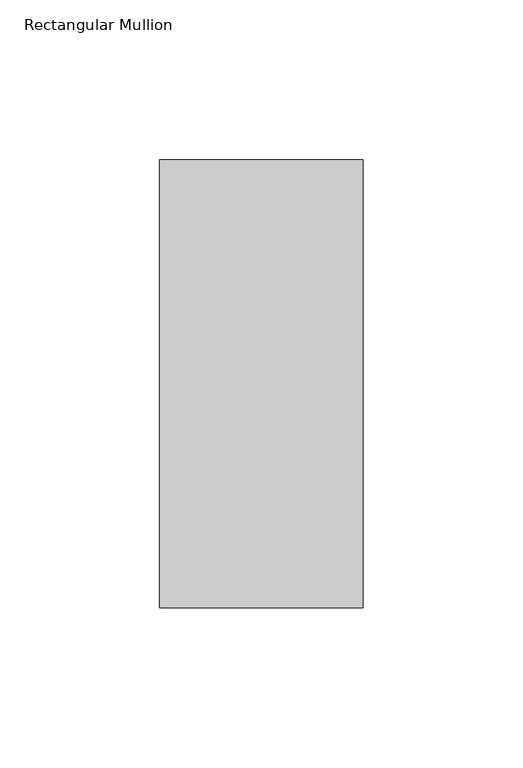
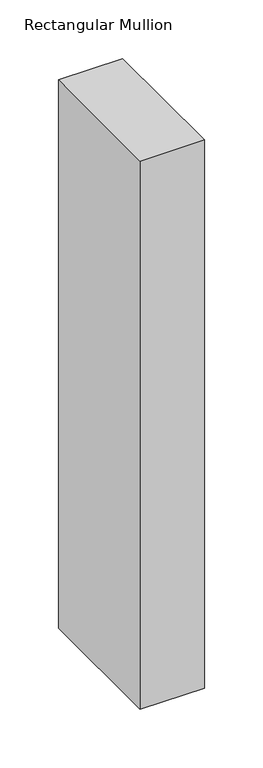
"""IFC4 building model written with IfcOpenShell, lengths in millimetres: member geometry, Rectangular Mullion."""

from ifc_helpers import new_model, si_unit, frame, origin, place, context, project, spatial, polyline, outline, extrude, source, transform, mapped, element, save


def rectangular_mullion_94d1acd9(model_context):
    return source(origin(), model_context, "Body", "SweptSolid", [
        extrude(outline(polyline([(0.0, 190.7881317), (0.0, 50.8202784), (-63.5, 50.8202784), (-63.5, 190.7881317), (0.0, 190.7881317)])), frame((0.0, 0.0, -571.8218524), z_axis=(0.0, 0.0, 1.0), x_axis=(1.0, 0.0, 0.0)), (0.0, 0.0, 1.0), 571.8218524),
    ])


if __name__ == "__main__":
    model = new_model("IFC4")
    model_context = context("Model", 3, world=origin())
    ifc_project = project(units=[si_unit("LENGTHUNIT", "METRE", prefix="MILLI")], contexts=[model_context])
    site = spatial("IfcSite", under=ifc_project)
    building = spatial("IfcBuilding", under=site)
    placement = place(None, origin())
    rectangular_mullion_shape = rectangular_mullion_94d1acd9(model_context)
    element("IfcMember", 1, ObjectType="Rectangular Mullion", at=placement, inside=building, context=model_context, shape_type="MappedRepresentation", body=[
        mapped(rectangular_mullion_shape, transform((0.0, 0.0, 0.0), x_axis=(1.0, 0.0, 0.0), y_axis=(0.0, 1.0, 0.0), z_axis=(0.0, 0.0, 1.0))),
    ])
    save(model, "model.ifc")
